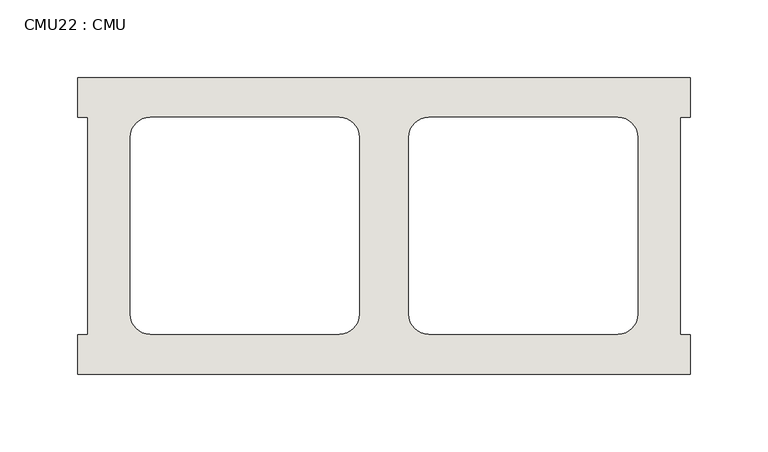
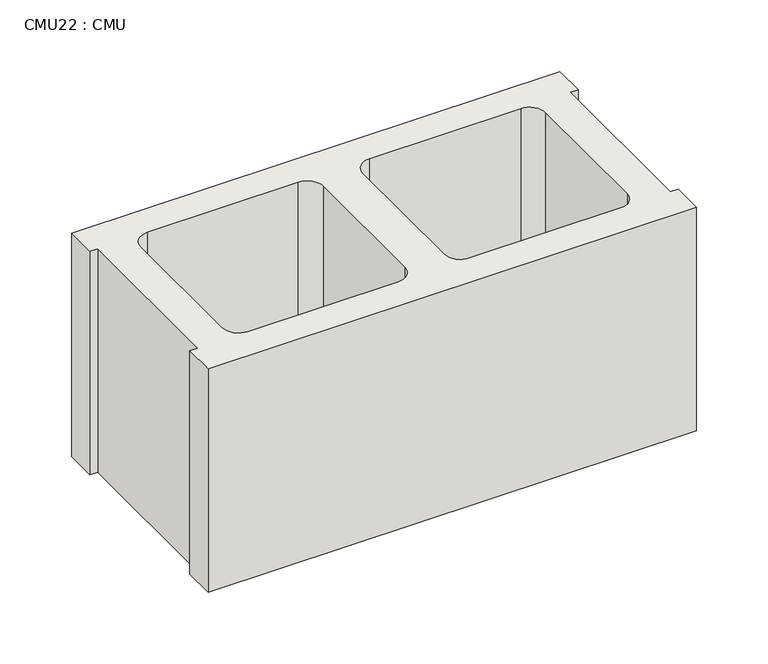
"""IFC4 building model written with IfcOpenShell, lengths in millimetres: wall geometry, CMU22 : CMU."""

from ifc_helpers import new_model, si_unit, point, frame, frame_2d, origin, place, context, project, spatial, polyline, circle_curve, trimmed, segment, composite_curve, outline, extrude, source, transform, mapped, element, save


def cmu22_cmu_4f7f690a(model_context):
    return source(origin(), model_context, "Body", "SweptSolid", [
        extrude(outline(polyline([(1384.0060968, 2871.3003704), (1777.7060968, 2871.3003704), (1777.7060968, 2845.9003704), (1771.3560968, 2845.9003704), (1771.3560968, 2706.2003704), (1777.7060968, 2706.2003704), (1777.7060968, 2680.8003704), (1384.0060968, 2680.8003704), (1384.0060968, 2706.2003704), (1390.3560968, 2706.2003704), (1390.3560968, 2845.9003704), (1384.0060968, 2845.9003704), (1384.0060968, 2871.3003704)]), holes=[composite_curve([segment(polyline([(1552.1740955, 2845.9003704), (1430.4574454, 2845.9003704)]), True, "CONTINUOUS"), segment(trimmed(circle_curve(frame_2d((1430.4574454, 2833.2003704)), 12.7), [point((1430.4574454, 2845.9003704))], [point((1417.7574454, 2833.2003704))], True, "CARTESIAN"), True, "CONTINUOUS"), segment(polyline([(1417.7574454, 2833.2003704), (1417.7574454, 2719.1345307)]), True, "CONTINUOUS"), segment(trimmed(circle_curve(frame_2d((1430.4574454, 2719.1345307)), 12.7), [point((1417.7574454, 2719.1345307))], [point((1430.4574454, 2706.4345307))], True, "CARTESIAN"), True, "CONTINUOUS"), segment(polyline([(1430.4574454, 2706.4345307), (1552.1740955, 2706.4345307)]), True, "CONTINUOUS"), segment(trimmed(circle_curve(frame_2d((1552.1740955, 2719.1345307)), 12.7), [point((1552.1740955, 2706.4345307))], [point((1564.8740955, 2719.1345307))], True, "CARTESIAN"), True, "CONTINUOUS"), segment(polyline([(1564.8740955, 2719.1345307), (1564.8740955, 2833.2003704)]), True, "CONTINUOUS"), segment(trimmed(circle_curve(frame_2d((1552.1740955, 2833.2003704)), 12.7), [point((1564.8740955, 2833.2003704))], [point((1552.1740955, 2845.9003704))], True, "CARTESIAN"), True, "CONTINUOUS")], self_intersect=False), composite_curve([segment(trimmed(circle_curve(frame_2d((1609.5380982, 2833.2003704)), 12.7), [point((1609.5380982, 2845.9003704))], [point((1596.8380982, 2833.2003704))], True, "CARTESIAN"), True, "CONTINUOUS"), segment(polyline([(1596.8380982, 2833.2003704), (1596.8380982, 2719.1345307)]), True, "CONTINUOUS"), segment(trimmed(circle_curve(frame_2d((1609.5380982, 2719.1345307)), 12.7), [point((1596.8380982, 2719.1345307))], [point((1609.5380982, 2706.4345307))], True, "CARTESIAN"), True, "CONTINUOUS"), segment(polyline([(1609.5380982, 2706.4345307), (1731.2547483, 2706.4345307)]), True, "CONTINUOUS"), segment(trimmed(circle_curve(frame_2d((1731.2547483, 2719.1345307)), 12.7), [point((1731.2547483, 2706.4345307))], [point((1743.9547483, 2719.1345307))], True, "CARTESIAN"), True, "CONTINUOUS"), segment(polyline([(1743.9547483, 2719.1345307), (1743.9547483, 2833.2003704)]), True, "CONTINUOUS"), segment(trimmed(circle_curve(frame_2d((1731.2547483, 2833.2003704)), 12.7), [point((1743.9547483, 2833.2003704))], [point((1731.2547483, 2845.9003704))], True, "CARTESIAN"), True, "CONTINUOUS"), segment(polyline([(1731.2547483, 2845.9003704), (1609.5380982, 2845.9003704)]), True, "CONTINUOUS")], self_intersect=False)]), frame((0.0, 0.0, 406.4), z_axis=(0.0, 0.0, 1.0), x_axis=(1.0, 0.0, 0.0)), (0.0, 0.0, 1.0), 190.5),
    ])


if __name__ == "__main__":
    model = new_model("IFC4")
    model_context = context("Model", 3, world=origin())
    ifc_project = project(units=[si_unit("LENGTHUNIT", "METRE", prefix="MILLI")], contexts=[model_context])
    site = spatial("IfcSite", under=ifc_project)
    building = spatial("IfcBuilding", under=site)
    placement = place(None, origin())
    cmu22_cmu_shape = cmu22_cmu_4f7f690a(model_context)
    element("IfcWall", 1, ObjectType="CMU22 : CMU", at=placement, inside=building, context=model_context, shape_type="MappedRepresentation", body=[
        mapped(cmu22_cmu_shape, transform((0.0, 0.0, 0.0), x_axis=(1.0, 0.0, 0.0), y_axis=(0.0, 1.0, 0.0), z_axis=(0.0, 0.0, 1.0))),
    ])
    save(model, "model.ifc")
